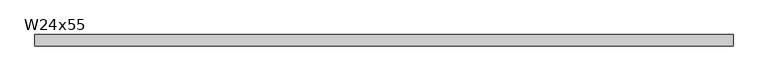
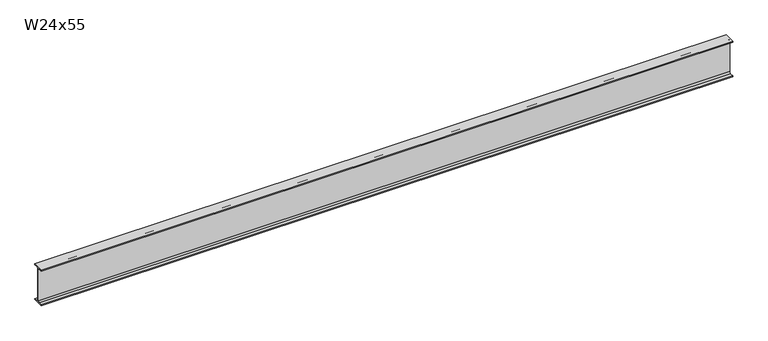
"""IFC4 building model written with IfcOpenShell, lengths in millimetres: beam geometry, W24x55."""

from ifc_helpers import new_model, si_unit, point, frame, frame_2d, origin, place, context, project, spatial, polyline, circle_curve, trimmed, segment, composite_curve, outline, extrude, source, transform, mapped, element, save


def w24x55_a184b633(model_context):
    return source(origin(), model_context, "Body", "SweptSolid", [
        extrude(outline(composite_curve([segment(polyline([(89.027, -286.893), (89.027, -299.72), (-89.027, -299.72), (-89.027, -286.893), (-28.702, -286.893)]), True, "CONTINUOUS"), segment(trimmed(circle_curve(frame_2d((-28.702, -263.2075)), 23.6855), [point((-28.702, -286.893))], [point((-5.0165, -263.2075))], True, "CARTESIAN"), True, "CONTINUOUS"), segment(polyline([(-5.0165, -263.2075), (-5.0165, 263.2075)]), True, "CONTINUOUS"), segment(trimmed(circle_curve(frame_2d((-28.702, 263.2075)), 23.6855), [point((-5.0165, 263.2075))], [point((-28.702, 286.893))], True, "CARTESIAN"), True, "CONTINUOUS"), segment(polyline([(-28.702, 286.893), (-89.027, 286.893), (-89.027, 299.72), (89.027, 299.72), (89.027, 286.893), (28.702, 286.893)]), True, "CONTINUOUS"), segment(trimmed(circle_curve(frame_2d((28.702, 263.2075)), 23.6855), [point((28.702, 286.893))], [point((5.0165, 263.2075))], True, "CARTESIAN"), True, "CONTINUOUS"), segment(polyline([(5.0165, 263.2075), (5.0165, -263.2075)]), True, "CONTINUOUS"), segment(trimmed(circle_curve(frame_2d((28.702, -263.2075)), 23.6855), [point((5.0165, -263.2075))], [point((28.702, -286.893))], True, "CARTESIAN"), True, "CONTINUOUS"), segment(polyline([(28.702, -286.893), (89.027, -286.893)]), True, "CONTINUOUS")], self_intersect=False)), frame((-5544.1997664, 0.0, 0.0), z_axis=(1.0, 0.0, 0.0), x_axis=(0.0, 1.0, 0.0)), (0.0, 0.0, 1.0), 11091.150654),
    ])


if __name__ == "__main__":
    model = new_model("IFC4")
    model_context = context("Model", 3, world=origin())
    ifc_project = project(units=[si_unit("LENGTHUNIT", "METRE", prefix="MILLI")], contexts=[model_context])
    site = spatial("IfcSite", under=ifc_project)
    building = spatial("IfcBuilding", under=site)
    placement = place(None, origin())
    w24x55_shape = w24x55_a184b633(model_context)
    element("IfcBeam", 1, ObjectType="W24x55", at=placement, inside=building, context=model_context, shape_type="MappedRepresentation", body=[
        mapped(w24x55_shape, transform((0.0, 0.0, 0.0), x_axis=(1.0, 0.0, 0.0), y_axis=(0.0, 1.0, 0.0), z_axis=(0.0, 0.0, 1.0))),
    ])
    save(model, "model.ifc")
